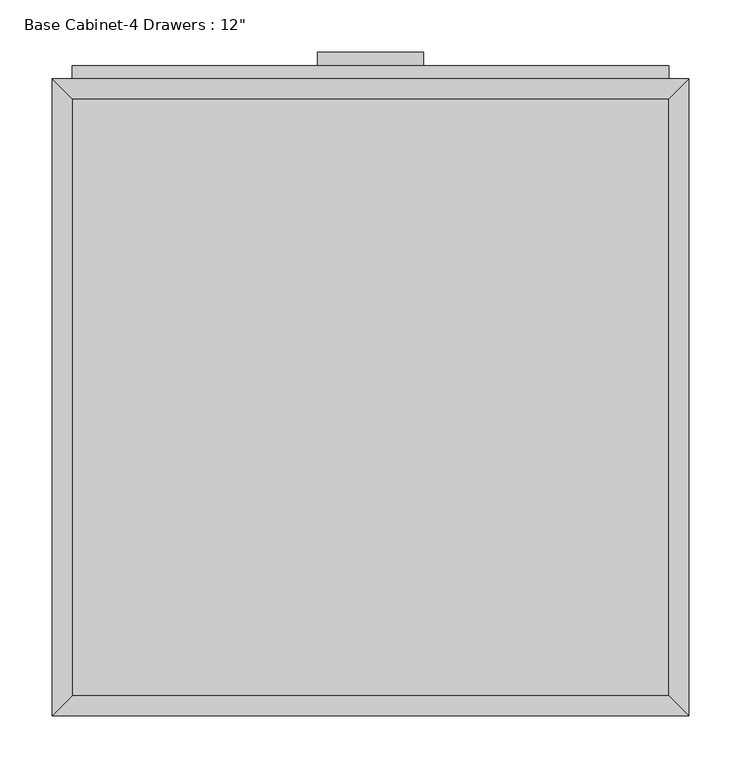
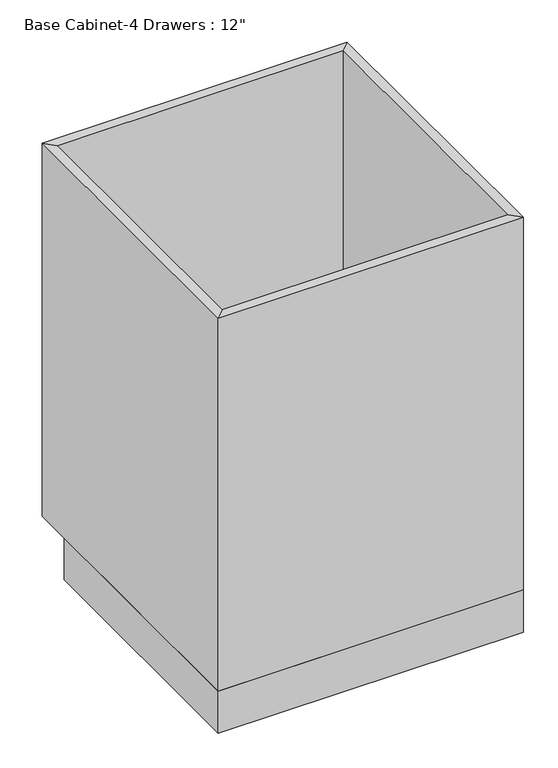
"""IFC4 building model written with IfcOpenShell, lengths in millimetres: furniture geometry."""

from ifc_helpers import new_model, si_unit, frame, origin, origin_with_axes, place, context, project, spatial, polyline, outline, extrude, faceted_brep, source, transform, mapped, element, save


def furniture_c43f0b86(model_context):
    return source(origin(), model_context, "Body", "SolidModel", [
        extrude(outline(polyline([(69.5377049, 635.0), (69.5377049, 622.3), (-32.0622951, 622.3), (-32.0622951, 635.0), (69.5377049, 635.0)])), frame((0.0, 0.0, 819.15), z_axis=(0.0, 0.0, 1.0), x_axis=(1.0, 0.0, 0.0)), (0.0, 0.0, 1.0), 12.7),
        extrude(outline(polyline([(69.5377049, 635.0), (69.5377049, 622.3), (-32.0622951, 622.3), (-32.0622951, 635.0), (69.5377049, 635.0)])), frame((0.0, 0.0, 698.5), z_axis=(0.0, 0.0, 1.0), x_axis=(1.0, 0.0, 0.0)), (0.0, 0.0, 1.0), 12.7),
        extrude(outline(polyline([(69.5377049, 635.0), (69.5377049, 622.3), (-32.0622951, 622.3), (-32.0622951, 635.0), (69.5377049, 635.0)])), frame((0.0, 0.0, 546.1), z_axis=(0.0, 0.0, 1.0), x_axis=(1.0, 0.0, 0.0)), (0.0, 0.0, 1.0), 12.7),
        extrude(outline(polyline([(69.5377049, 635.0), (69.5377049, 622.3), (-32.0622951, 622.3), (-32.0622951, 635.0), (69.5377049, 635.0)])), frame((0.0, 0.0, 393.7), z_axis=(0.0, 0.0, 1.0), x_axis=(1.0, 0.0, 0.0)), (0.0, 0.0, 1.0), 12.7),
        extrude(outline(polyline([(304.4877049, 622.3), (304.4877049, 609.6), (-267.0122951, 609.6), (-267.0122951, 622.3), (304.4877049, 622.3)])), frame((0.0, 0.0, 749.3), z_axis=(0.0, 0.0, 1.0), x_axis=(1.0, 0.0, 0.0)), (0.0, 0.0, 1.0), 107.95),
        extrude(outline(polyline([(304.4877049, 622.3), (304.4877049, 609.6), (-267.0122951, 609.6), (-267.0122951, 622.3), (304.4877049, 622.3)])), frame((0.0, 0.0, 596.9), z_axis=(0.0, 0.0, 1.0), x_axis=(1.0, 0.0, 0.0)), (0.0, 0.0, 1.0), 139.7),
        extrude(outline(polyline([(304.4877049, 622.3), (304.4877049, 609.6), (-267.0122951, 609.6), (-267.0122951, 622.3), (304.4877049, 622.3)])), frame((0.0, 0.0, 444.5), z_axis=(0.0, 0.0, 1.0), x_axis=(1.0, 0.0, 0.0)), (0.0, 0.0, 1.0), 139.7),
        extrude(outline(polyline([(304.4877049, 622.3), (304.4877049, 609.6), (-267.0122951, 609.6), (-267.0122951, 622.3), (304.4877049, 622.3)])), frame((0.0, 0.0, 120.65), z_axis=(0.0, 0.0, 1.0), x_axis=(1.0, 0.0, 0.0)), (0.0, 0.0, 1.0), 311.15),
        extrude(outline(polyline([(304.4877049, 19.05), (-267.0122951, 19.05), (-267.0122951, 590.55), (304.4877049, 590.55), (304.4877049, 19.05)])), frame((0.0, 0.0, 88.9), z_axis=(0.0, 0.0, 1.0), x_axis=(1.0, 0.0, 0.0)), (0.0, 0.0, 1.0), 19.05),
        faceted_brep([(304.4877049, 590.55, 876.3), (-267.0122951, 590.55, 876.3), (-267.0122951, 590.55, 88.9), (304.4877049, 590.55, 88.9), (323.5377049, 609.6, 876.3), (-286.0622951, 609.6, 876.3), (323.5377049, 609.6, 88.9), (-286.0622951, 609.6, 88.9), (-267.0122951, 19.05, 876.3), (-267.0122951, 19.05, 88.9), (-286.0622951, 0.0, 876.3), (-286.0622951, 0.0, 88.9), (304.4877049, 19.05, 876.3), (304.4877049, 19.05, 88.9), (323.5377049, 0.0, 876.3), (323.5377049, 0.0, 88.9)], [[[0, 1, 2, 3]], [[4, 5, 1, 0]], [[6, 7, 5, 4]], [[3, 2, 7, 6]], [[1, 8, 9, 2]], [[5, 10, 8, 1]], [[7, 11, 10, 5]], [[2, 9, 11, 7]], [[8, 12, 13, 9]], [[10, 14, 12, 8]], [[11, 15, 14, 10]], [[9, 13, 15, 11]], [[12, 0, 3, 13]], [[14, 4, 0, 12]], [[15, 6, 4, 14]], [[13, 3, 6, 15]]]),
        extrude(outline(polyline([(323.5377049, 0.0), (-286.0622951, 0.0), (-286.0622951, 533.4), (323.5377049, 533.4), (323.5377049, 0.0)])), origin_with_axes(), (0.0, 0.0, 1.0), 88.9),
    ])


if __name__ == "__main__":
    model = new_model("IFC4")
    model_context = context("Model", 3, world=origin())
    ifc_project = project(units=[si_unit("LENGTHUNIT", "METRE", prefix="MILLI")], contexts=[model_context])
    site = spatial("IfcSite", under=ifc_project)
    building = spatial("IfcBuilding", under=site)
    placement = place(None, origin())
    furniture_shape = furniture_c43f0b86(model_context)
    element("IfcFurniture", 1, ObjectType="Base Cabinet-4 Drawers : 12\"", at=placement, inside=building, context=model_context, shape_type="MappedRepresentation", body=[
        mapped(furniture_shape, transform((0.0, 0.0, 0.0), x_axis=(1.0, 0.0, 0.0), y_axis=(0.0, 1.0, 0.0), z_axis=(0.0, 0.0, 1.0))),
    ])
    save(model, "model.ifc")
